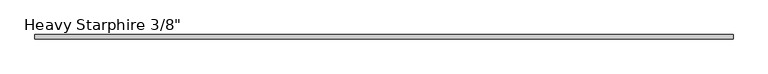
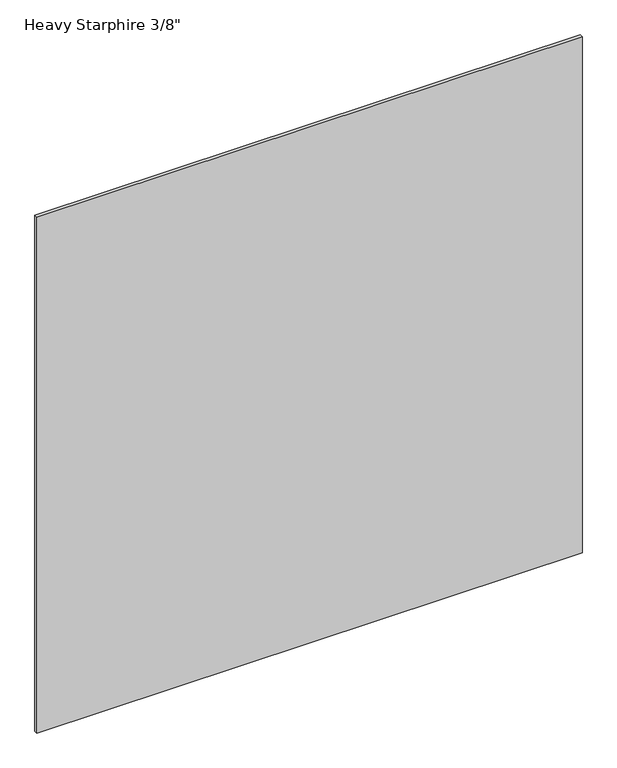
"""IFC4 building model written with IfcOpenShell, lengths in millimetres: plate geometry."""

from ifc_helpers import new_model, si_unit, origin, origin_with_axes, place, context, project, spatial, polyline, outline, extrude, source, transform, mapped, element, save


def plate_b3bc28f1(model_context):
    return source(origin(), model_context, "Body", "SweptSolid", [
        extrude(outline(polyline([(762.0, 4.7625), (762.0, -4.7625), (-762.0, -4.7625), (-762.0, 4.7625), (762.0, 4.7625)])), origin_with_axes(), (0.0, 0.0, 1.0), 1524.0),
    ])


if __name__ == "__main__":
    model = new_model("IFC4")
    model_context = context("Model", 3, world=origin())
    ifc_project = project(units=[si_unit("LENGTHUNIT", "METRE", prefix="MILLI")], contexts=[model_context])
    site = spatial("IfcSite", under=ifc_project)
    building = spatial("IfcBuilding", under=site)
    placement = place(None, origin())
    plate_shape = plate_b3bc28f1(model_context)
    element("IfcPlate", 1, ObjectType="Heavy Starphire 3/8\"", at=placement, inside=building, context=model_context, shape_type="MappedRepresentation", body=[
        mapped(plate_shape, transform((0.0, 0.0, 0.0), x_axis=(1.0, 0.0, 0.0), y_axis=(0.0, 1.0, 0.0), z_axis=(0.0, 0.0, 1.0))),
    ])
    save(model, "model.ifc")
